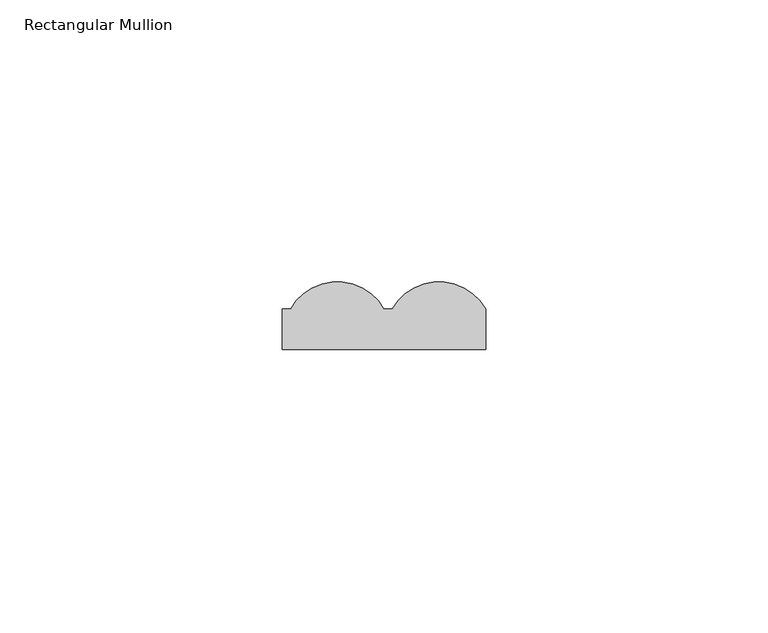
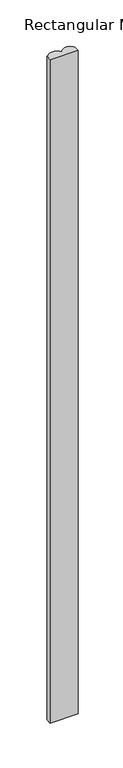
"""IFC4 building model written with IfcOpenShell, lengths in millimetres: member geometry, Rectangular Mullion."""

from ifc_helpers import new_model, si_unit, point, frame, frame_2d, origin, place, context, project, spatial, polyline, circle_curve, trimmed, segment, composite_curve, outline, extrude, source, transform, mapped, element, save


def rectangular_mullion_42ba73bc(model_context):
    return source(origin(), model_context, "Body", "SweptSolid", [
        extrude(outline(composite_curve([segment(polyline([(0.0, 7.1682556), (1.4522038, 7.1682556)]), True, "CONTINUOUS"), segment(trimmed(circle_curve(frame_2d((9.7261019, 2.5)), 9.5), [point((1.4522038, 7.1682556))], [point((18.0, 7.1682556))], False, "CARTESIAN"), True, "CONTINUOUS"), segment(polyline([(18.0, 7.1682556), (18.0, 0.0), (-18.0, 0.0), (-18.0, 7.1682556), (-16.5477962, 7.1682556)]), True, "CONTINUOUS"), segment(trimmed(circle_curve(frame_2d((-8.2738981, 2.5)), 9.5), [point((-16.5477962, 7.1682556))], [point((0.0, 7.1682556))], False, "CARTESIAN"), True, "CONTINUOUS")], self_intersect=False)), frame((0.0, 0.0, -900.0), z_axis=(0.0, 0.0, 1.0), x_axis=(1.0, 0.0, 0.0)), (0.0, 0.0, 1.0), 900.0),
    ])


if __name__ == "__main__":
    model = new_model("IFC4")
    model_context = context("Model", 3, world=origin())
    ifc_project = project(units=[si_unit("LENGTHUNIT", "METRE", prefix="MILLI")], contexts=[model_context])
    site = spatial("IfcSite", under=ifc_project)
    building = spatial("IfcBuilding", under=site)
    placement = place(None, origin())
    rectangular_mullion_shape = rectangular_mullion_42ba73bc(model_context)
    element("IfcMember", 1, ObjectType="Rectangular Mullion", at=placement, inside=building, context=model_context, shape_type="MappedRepresentation", body=[
        mapped(rectangular_mullion_shape, transform((0.0, 0.0, 0.0), x_axis=(1.0, 0.0, 0.0), y_axis=(0.0, 1.0, 0.0), z_axis=(0.0, 0.0, 1.0))),
    ])
    save(model, "model.ifc")
